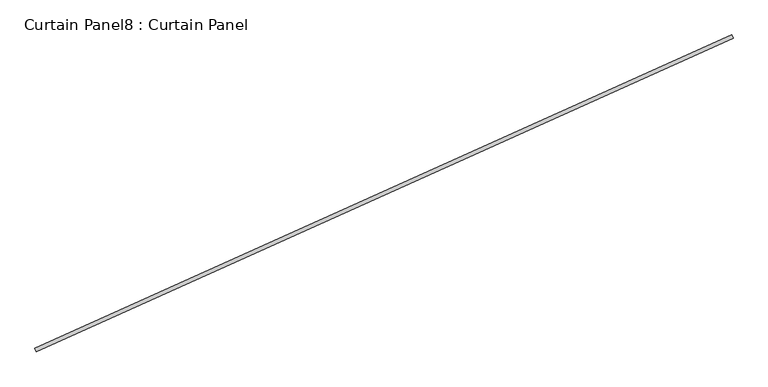
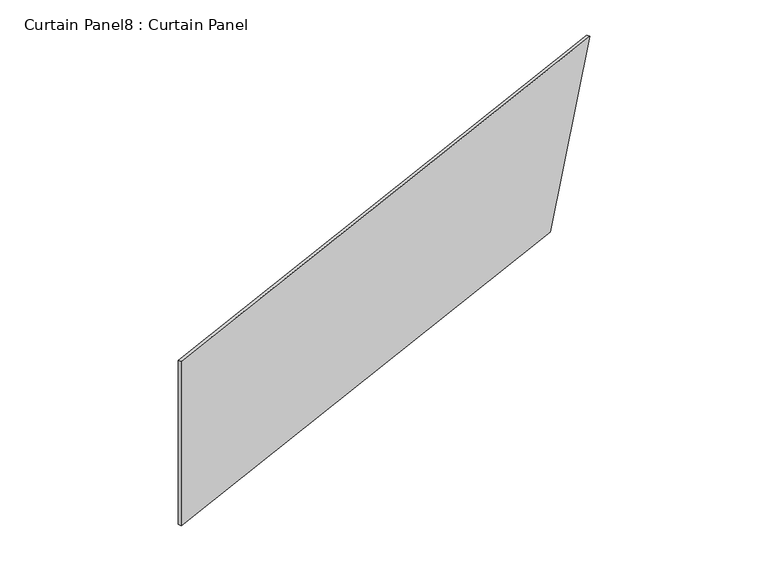
"""IFC4 building model written with IfcOpenShell, lengths in millimetres: plate geometry, Curtain Panel8 : Curtain Panel."""

from ifc_helpers import new_model, si_unit, frame, origin, place, context, project, spatial, polyline, outline, extrude, source, transform, mapped, element, save


def curtain_panel8_curtain_panel_7910a762(model_context):
    return source(origin(), model_context, "Body", "SweptSolid", [
        extrude(outline(polyline([(0.0, 0.0), (0.0, -4793.6846754), (-1524.0, -5308.1473498), (-1524.0, 0.0), (0.0, 0.0)])), frame((36557.5770857, -12836.3437505, 12192.0), z_axis=(-0.41023197127835825, 0.9119812112873117, 0.0), x_axis=(0.0, 0.0, -1.0)), (0.0, 0.0, 1.0), 25.4),
    ])


if __name__ == "__main__":
    model = new_model("IFC4")
    model_context = context("Model", 3, world=origin())
    ifc_project = project(units=[si_unit("LENGTHUNIT", "METRE", prefix="MILLI")], contexts=[model_context])
    site = spatial("IfcSite", under=ifc_project)
    building = spatial("IfcBuilding", under=site)
    placement = place(None, origin())
    curtain_panel8_curtain_panel_shape = curtain_panel8_curtain_panel_7910a762(model_context)
    element("IfcPlate", 1, ObjectType="Curtain Panel8 : Curtain Panel", at=placement, inside=building, context=model_context, shape_type="MappedRepresentation", body=[
        mapped(curtain_panel8_curtain_panel_shape, transform((0.0, 0.0, 0.0), x_axis=(1.0, 0.0, 0.0), y_axis=(0.0, 1.0, 0.0), z_axis=(0.0, 0.0, 1.0))),
    ])
    save(model, "model.ifc")
